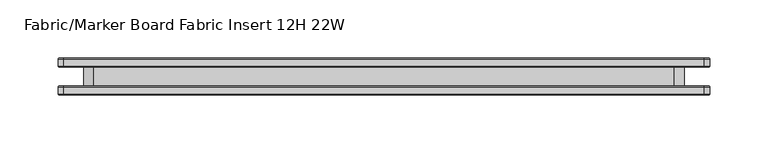
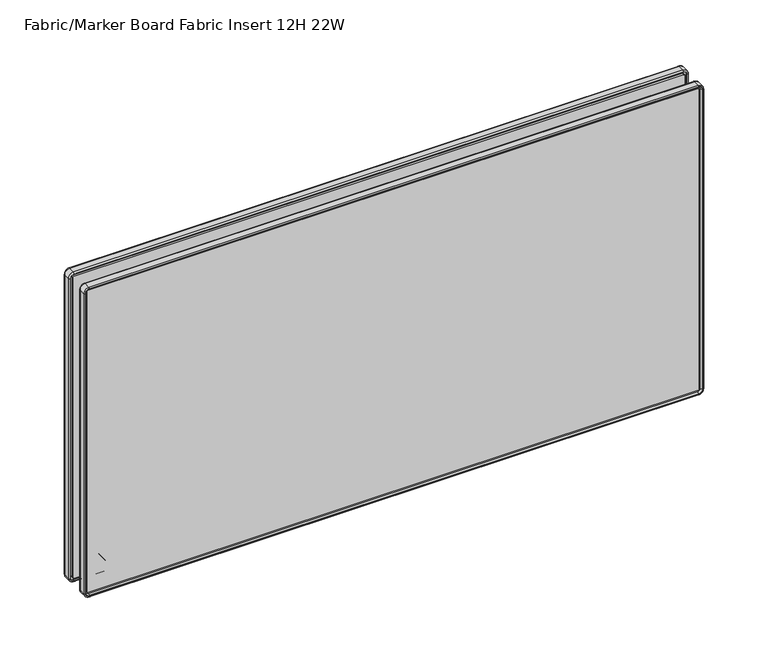
"""IFC4 building model written with IfcOpenShell, lengths in millimetres: furniture geometry, Fabric/Marker Board Fabric Insert 12H 22W."""

from ifc_helpers import new_model, si_unit, point, frame, frame_2d, origin, place, context, project, spatial, polyline, circle_curve, ellipse_curve, trimmed, segment, composite_curve, outline, extrude, source, transform, mapped, element, save
from ifc_brep_helpers import plane_surface, cylinder_surface, revolved_surface, advanced_brep


def fabric_marker_board_fabric_insert_12h_22w_8825d020(model_context):
    return source(origin(), model_context, "Body", "SolidModel", [
        extrude(outline(composite_curve([segment(trimmed(circle_curve(frame_2d((785.9258601, 60.6967824)), 14.2960031), [point((781.0834991, 47.2458625))], [point((772.4749402, 55.8544214))], False, "CARTESIAN"), True, "CONTINUOUS"), segment(polyline([(772.4749402, 55.8544214), (772.4749402, 553.7455786)]), True, "CONTINUOUS"), segment(trimmed(circle_curve(frame_2d((785.9258601, 548.9032176)), 14.2960031), [point((772.4749402, 553.7455786))], [point((780.5790258, 562.1616892))], False, "CARTESIAN"), True, "CONTINUOUS"), segment(polyline([(780.5790258, 562.1616892), (1019.5568063, 562.1616892)]), True, "CONTINUOUS"), segment(trimmed(circle_curve(frame_2d((1014.209972, 548.9032176)), 14.2960031), [point((1019.5568063, 562.1616892))], [point((1027.6608919, 553.7455786))], False, "CARTESIAN"), True, "CONTINUOUS"), segment(polyline([(1027.6608919, 553.7455786), (1027.6608919, 55.8544214)]), True, "CONTINUOUS"), segment(trimmed(circle_curve(frame_2d((1014.209972, 60.6967824)), 14.2960031), [point((1027.6608919, 55.8544214))], [point((1019.0523331, 47.2458625))], False, "CARTESIAN"), True, "CONTINUOUS"), segment(polyline([(1019.0523331, 47.2458625), (781.0834991, 47.2458625)]), True, "CONTINUOUS")], self_intersect=False)), frame((0.0, -7.9718968, 0.0), z_axis=(0.0, 1.0, 0.0), x_axis=(0.0, 0.0, 1.0)), (0.0, 0.0, 1.0), 15.9437935),
        extrude(outline(composite_curve([segment(trimmed(circle_curve(frame_2d((759.1475985, 29.8962491)), 0.8911416), [point((759.1475985, 29.0051075))], [point((758.256457, 29.8962491))], False, "CARTESIAN"), True, "CONTINUOUS"), segment(polyline([(758.256457, 29.8962491), (758.256457, 579.5091361)]), True, "CONTINUOUS"), segment(trimmed(circle_curve(frame_2d((759.1475985, 579.5091361)), 0.8911416), [point((758.256457, 579.5091361))], [point((759.1475985, 580.4002777))], False, "CARTESIAN"), True, "CONTINUOUS"), segment(polyline([(759.1475985, 580.4002777), (1045.010519, 580.4002777)]), True, "CONTINUOUS"), segment(trimmed(circle_curve(frame_2d((1045.010519, 579.5091361)), 0.8911416), [point((1045.010519, 580.4002777))], [point((1045.9016605, 579.5091361))], False, "CARTESIAN"), True, "CONTINUOUS"), segment(polyline([(1045.9016605, 579.5091361), (1045.9016605, 29.8962491)]), True, "CONTINUOUS"), segment(trimmed(circle_curve(frame_2d((1045.010519, 29.8962491)), 0.8911416), [point((1045.9016605, 29.8962491))], [point((1045.010519, 29.0051075))], False, "CARTESIAN"), True, "CONTINUOUS"), segment(polyline([(1045.010519, 29.0051075), (759.1475985, 29.0051075)]), True, "CONTINUOUS")], self_intersect=False)), frame((0.0, 7.9718968, 0.0), z_axis=(0.0, 1.0, 0.0), x_axis=(0.0, 0.0, 1.0)), (0.0, 0.0, 1.0), 6.1306313),
        extrude(outline(composite_curve([segment(polyline([(1045.010519, 29.0051075), (759.1475985, 29.0051075)]), True, "CONTINUOUS"), segment(trimmed(circle_curve(frame_2d((759.1475985, 29.8962491)), 0.8911416), [point((759.1475985, 29.0051075))], [point((758.256457, 29.8962491))], False, "CARTESIAN"), True, "CONTINUOUS"), segment(polyline([(758.256457, 29.8962491), (758.256457, 579.5091361)]), True, "CONTINUOUS"), segment(trimmed(circle_curve(frame_2d((759.1475985, 579.5091361)), 0.8911416), [point((758.256457, 579.5091361))], [point((759.1475985, 580.4002777))], False, "CARTESIAN"), True, "CONTINUOUS"), segment(polyline([(759.1475985, 580.4002777), (1045.010519, 580.4002777)]), True, "CONTINUOUS"), segment(trimmed(circle_curve(frame_2d((1045.010519, 579.5091361)), 0.8911416), [point((1045.010519, 580.4002777))], [point((1045.9016605, 579.5091361))], False, "CARTESIAN"), True, "CONTINUOUS"), segment(polyline([(1045.9016605, 579.5091361), (1045.9016605, 29.8962491)]), True, "CONTINUOUS"), segment(trimmed(circle_curve(frame_2d((1045.010519, 29.8962491)), 0.8911416), [point((1045.9016605, 29.8962491))], [point((1045.010519, 29.0051075))], False, "CARTESIAN"), True, "CONTINUOUS")], self_intersect=False)), frame((0.0, -14.102528, 0.0), z_axis=(0.0, 1.0, 0.0), x_axis=(0.0, 0.0, 1.0)), (0.0, 0.0, 1.0), 6.1306313),
        advanced_brep(
        [(582.9077917, -7.9718968, 759.1475985), (579.5091361, -7.9718968, 755.7489429), (579.5091361, -9.6721295, 755.7489429), (582.9077917, -9.6721295, 759.1475985), (584.0811361, -9.1452412, 759.1475985), (579.5091361, -9.1452412, 754.5755985), (584.0811361, -14.9826968, 759.1475985), (579.5091361, -14.9826968, 754.5755985), (583.2667038, -15.7971292, 759.1475985), (579.5091361, -15.7971292, 755.3900309), (580.4002777, -9.6721295, 759.1475985), (579.5091361, -9.6721295, 758.256457), (579.5091361, -14.102528, 758.256457), (580.4002777, -14.102528, 759.1475985), (582.9077917, -9.6721295, 1045.010519), (582.9077917, -7.9718968, 1045.010519), (584.0811361, -9.1452412, 1045.010519), (584.0811361, -14.9826968, 1045.010519), (583.2667038, -15.7971292, 1045.010519), (580.4002777, -14.102528, 1045.010519), (580.4002777, -9.6721295, 1045.010519), (579.5091361, -7.9718968, 1048.4091746), (579.5091361, -9.6721295, 1048.4091746), (579.5091361, -9.1452412, 1049.582519), (579.5091361, -14.9826968, 1049.582519), (579.5091361, -15.7971292, 1048.7680866), (579.5091361, -9.6721295, 1045.9016605), (579.5091361, -14.102528, 1045.9016605), (29.8962491, -9.6721295, 1048.4091746), (29.8962491, -7.9718968, 1048.4091746), (29.8962491, -9.1452412, 1049.582519), (29.8962491, -14.9826968, 1049.582519), (29.8962491, -15.7971292, 1048.7680866), (29.8962491, -14.102528, 1045.9016605), (29.8962491, -9.6721295, 1045.9016605), (26.4975935, -7.9718968, 1045.010519), (26.4975935, -9.6721295, 1045.010519), (25.3242491, -9.1452412, 1045.010519), (25.3242491, -14.9826968, 1045.010519), (26.1386815, -15.7971292, 1045.010519), (29.0051075, -9.6721295, 1045.010519), (29.0051075, -14.102528, 1045.010519), (26.4975935, -9.6721295, 759.1475985), (26.4975935, -7.9718968, 759.1475985), (25.3242491, -9.1452412, 759.1475985), (25.3242491, -14.9826968, 759.1475985), (26.1386815, -15.7971292, 759.1475985), (29.0051075, -14.102528, 759.1475985), (29.0051075, -9.6721295, 759.1475985), (29.8962491, -7.9718968, 755.7489429), (29.8962491, -9.6721295, 755.7489429), (29.8962491, -9.1452412, 754.5755985), (29.8962491, -14.9826968, 754.5755985), (29.8962491, -15.7971292, 755.3900309), (29.8962491, -9.6721295, 758.256457), (29.8962491, -14.102528, 758.256457), (579.5091361, -15.7971292, 756.2425504), (29.8962491, -15.7971292, 756.2425504), (26.991201, -15.7971292, 759.1475985), (26.991201, -15.7971292, 1045.010519), (29.8962491, -15.7971292, 1047.9155671), (579.5091361, -15.7971292, 1047.9155671), (582.4141842, -15.7971292, 1045.010519), (582.4141842, -15.7971292, 759.1475985), (581.7973998, -14.102528, 759.1475985), (579.5091361, -14.102528, 756.8593348), (581.7973998, -14.102528, 1045.010519), (579.5091361, -14.102528, 1047.2987827), (29.8962491, -14.102528, 1047.2987827), (27.6079854, -14.102528, 1045.010519), (27.6079854, -14.102528, 759.1475985), (29.8962491, -14.102528, 756.8593348)],
        [
            (0, 1, circle_curve(frame((579.5091361, -7.9718968, 759.1475985), z_axis=(0.0, 1.0, 0.0), x_axis=(0.0, 0.0, -1.0)), 3.3986556)),
            (1, 2),
            (2, 3, circle_curve(frame((579.5091361, -9.6721295, 759.1475985), z_axis=(0.0, -1.0, 0.0), x_axis=(0.0, 0.0, -1.0)), 3.3986556)),
            (3, 0),
            (4, 5, circle_curve(frame((579.5091361, -9.1452412, 759.1475985), z_axis=(0.0, 1.0, 0.0), x_axis=(0.0, 0.0, -1.0)), 4.572)),
            (5, 1, circle_curve(frame((579.5091361, -9.1452412, 755.7489429), z_axis=(1.0, 0.0, 0.0), x_axis=(0.0, 0.0, 1.0)), 1.1733444)),
            (0, 4, circle_curve(frame((582.9077917, -9.1452412, 759.1475985), z_axis=(0.0, 0.0, -1.0), x_axis=(-1.0, 0.0, 0.0)), 1.1733444)),
            (6, 7, circle_curve(frame((579.5091361, -14.9826968, 759.1475985), z_axis=(0.0, 1.0, 0.0), x_axis=(0.0, 0.0, -1.0)), 4.572)),
            (7, 5),
            (4, 6),
            (8, 9, circle_curve(frame((579.5091361, -15.7971292, 759.1475985), z_axis=(0.0, 1.0, 0.0), x_axis=(0.0, 0.0, -1.0)), 3.7575676)),
            (9, 7, circle_curve(frame((579.5091361, -14.9826968, 755.3900309), z_axis=(1.0, 0.0, 0.0), x_axis=(0.0, 0.0, 1.0)), 0.8144324)),
            (6, 8, circle_curve(frame((583.2667038, -14.9826968, 759.1475985), z_axis=(0.0, 0.0, -1.0), x_axis=(-1.0, 0.0, 0.0)), 0.8144324)),
            (10, 11, circle_curve(frame((579.5091361, -9.6721295, 759.1475985), z_axis=(0.0, 1.0, 0.0), x_axis=(0.0, 0.0, -1.0)), 0.8911416)),
            (11, 12),
            (12, 13, circle_curve(frame((579.5091361, -14.102528, 759.1475985), z_axis=(0.0, -1.0, 0.0), x_axis=(0.0, 0.0, -1.0)), 0.8911416)),
            (13, 10),
            (3, 14),
            (14, 15),
            (15, 0),
            (15, 16, circle_curve(frame((582.9077917, -9.1452412, 1045.010519), z_axis=(0.0, 0.0, -1.0), x_axis=(-1.0, 0.0, 0.0)), 1.1733444)),
            (16, 4),
            (16, 17),
            (17, 6),
            (17, 18, circle_curve(frame((583.2667038, -14.9826968, 1045.010519), z_axis=(0.0, 0.0, -1.0), x_axis=(-1.0, 0.0, 0.0)), 0.8144324)),
            (18, 8),
            (13, 19),
            (19, 20),
            (20, 10),
            (21, 15, circle_curve(frame((579.5091361, -7.9718968, 1045.010519), z_axis=(0.0, 1.0, 0.0), x_axis=(1.0, 0.0, 0.0)), 3.3986556)),
            (14, 22, circle_curve(frame((579.5091361, -9.6721295, 1045.010519), z_axis=(0.0, -1.0, 0.0), x_axis=(1.0, 0.0, 0.0)), 3.3986556)),
            (22, 21),
            (23, 16, circle_curve(frame((579.5091361, -9.1452412, 1045.010519), z_axis=(0.0, 1.0, 0.0), x_axis=(1.0, 0.0, 0.0)), 4.572)),
            (21, 23, circle_curve(frame((579.5091361, -9.1452412, 1048.4091746), z_axis=(1.0, 0.0, 0.0), x_axis=(0.0, 0.0, -1.0)), 1.1733444)),
            (24, 17, circle_curve(frame((579.5091361, -14.9826968, 1045.010519), z_axis=(0.0, 1.0, 0.0), x_axis=(1.0, 0.0, 0.0)), 4.572)),
            (23, 24),
            (25, 18, circle_curve(frame((579.5091361, -15.7971292, 1045.010519), z_axis=(0.0, 1.0, 0.0), x_axis=(1.0, 0.0, 0.0)), 3.7575676)),
            (24, 25, circle_curve(frame((579.5091361, -14.9826968, 1048.7680866), z_axis=(1.0, 0.0, 0.0), x_axis=(0.0, 0.0, -1.0)), 0.8144324)),
            (26, 20, circle_curve(frame((579.5091361, -9.6721295, 1045.010519), z_axis=(0.0, 1.0, 0.0), x_axis=(1.0, 0.0, 0.0)), 0.8911416)),
            (19, 27, circle_curve(frame((579.5091361, -14.102528, 1045.010519), z_axis=(0.0, -1.0, 0.0), x_axis=(1.0, 0.0, 0.0)), 0.8911416)),
            (27, 26),
            (22, 28),
            (28, 29),
            (29, 21),
            (29, 30, circle_curve(frame((29.8962491, -9.1452412, 1048.4091746), z_axis=(1.0, 0.0, 0.0), x_axis=(0.0, 0.0, -1.0)), 1.1733444)),
            (30, 23),
            (30, 31),
            (31, 24),
            (31, 32, circle_curve(frame((29.8962491, -14.9826968, 1048.7680866), z_axis=(1.0, 0.0, 0.0), x_axis=(0.0, 0.0, -1.0)), 0.8144324)),
            (32, 25),
            (27, 33),
            (33, 34),
            (34, 26),
            (35, 29, circle_curve(frame((29.8962491, -7.9718968, 1045.010519), z_axis=(0.0, 1.0, 0.0), x_axis=(0.0, 0.0, 1.0)), 3.3986556)),
            (28, 36, circle_curve(frame((29.8962491, -9.6721295, 1045.010519), z_axis=(0.0, -1.0, 0.0), x_axis=(0.0, 0.0, 1.0)), 3.3986556)),
            (36, 35),
            (37, 30, circle_curve(frame((29.8962491, -9.1452412, 1045.010519), z_axis=(0.0, 1.0, 0.0), x_axis=(0.0, 0.0, 1.0)), 4.572)),
            (35, 37, circle_curve(frame((26.4975935, -9.1452412, 1045.010519), z_axis=(0.0, 0.0, 1.0), x_axis=(1.0, 0.0, 0.0)), 1.1733444)),
            (38, 31, circle_curve(frame((29.8962491, -14.9826968, 1045.010519), z_axis=(0.0, 1.0, 0.0), x_axis=(0.0, 0.0, 1.0)), 4.572)),
            (37, 38),
            (39, 32, circle_curve(frame((29.8962491, -15.7971292, 1045.010519), z_axis=(0.0, 1.0, 0.0), x_axis=(0.0, 0.0, 1.0)), 3.7575676)),
            (38, 39, circle_curve(frame((26.1386815, -14.9826968, 1045.010519), z_axis=(0.0, 0.0, 1.0), x_axis=(1.0, 0.0, 0.0)), 0.8144324)),
            (40, 34, circle_curve(frame((29.8962491, -9.6721295, 1045.010519), z_axis=(0.0, 1.0, 0.0), x_axis=(0.0, 0.0, 1.0)), 0.8911416)),
            (33, 41, circle_curve(frame((29.8962491, -14.102528, 1045.010519), z_axis=(0.0, -1.0, 0.0), x_axis=(0.0, 0.0, 1.0)), 0.8911416)),
            (41, 40),
            (36, 42),
            (42, 43),
            (43, 35),
            (43, 44, circle_curve(frame((26.4975935, -9.1452412, 759.1475985), z_axis=(0.0, 0.0, 1.0), x_axis=(1.0, 0.0, 0.0)), 1.1733444)),
            (44, 37),
            (44, 45),
            (45, 38),
            (45, 46, circle_curve(frame((26.1386815, -14.9826968, 759.1475985), z_axis=(0.0, 0.0, 1.0), x_axis=(1.0, 0.0, 0.0)), 0.8144324)),
            (46, 39),
            (41, 47),
            (47, 48),
            (48, 40),
            (49, 43, circle_curve(frame((29.8962491, -7.9718968, 759.1475985), z_axis=(0.0, 1.0, 0.0), x_axis=(-1.0, 0.0, 0.0)), 3.3986556)),
            (42, 50, circle_curve(frame((29.8962491, -9.6721295, 759.1475985), z_axis=(0.0, -1.0, 0.0), x_axis=(-1.0, 0.0, 0.0)), 3.3986556)),
            (50, 49),
            (51, 44, circle_curve(frame((29.8962491, -9.1452412, 759.1475985), z_axis=(0.0, 1.0, 0.0), x_axis=(-1.0, 0.0, 0.0)), 4.572)),
            (49, 51, circle_curve(frame((29.8962491, -9.1452412, 755.7489429), z_axis=(-1.0, 0.0, 0.0), x_axis=(0.0, 0.0, 1.0)), 1.1733444)),
            (52, 45, circle_curve(frame((29.8962491, -14.9826968, 759.1475985), z_axis=(0.0, 1.0, 0.0), x_axis=(-1.0, 0.0, 0.0)), 4.572)),
            (51, 52),
            (53, 46, circle_curve(frame((29.8962491, -15.7971292, 759.1475985), z_axis=(0.0, 1.0, 0.0), x_axis=(-1.0, 0.0, 0.0)), 3.7575676)),
            (52, 53, circle_curve(frame((29.8962491, -14.9826968, 755.3900309), z_axis=(-1.0, 0.0, 0.0), x_axis=(0.0, 0.0, 1.0)), 0.8144324)),
            (54, 48, circle_curve(frame((29.8962491, -9.6721295, 759.1475985), z_axis=(0.0, 1.0, 0.0), x_axis=(-1.0, 0.0, 0.0)), 0.8911416)),
            (47, 55, circle_curve(frame((29.8962491, -14.102528, 759.1475985), z_axis=(0.0, -1.0, 0.0), x_axis=(-1.0, 0.0, 0.0)), 0.8911416)),
            (55, 54),
            (2, 50),
            (54, 11),
            (1, 49),
            (5, 51),
            (7, 52),
            (9, 53),
            (56, 57),
            (57, 58, circle_curve(frame((29.8962491, -15.7971292, 759.1475985), z_axis=(0.0, 1.0, 0.0), x_axis=(-1.0, 0.0, 0.0)), 2.9050481)),
            (58, 59),
            (59, 60, circle_curve(frame((29.8962491, -15.7971292, 1045.010519), z_axis=(0.0, 1.0, 0.0), x_axis=(0.0, 0.0, 1.0)), 2.9050481)),
            (60, 61),
            (61, 62, circle_curve(frame((579.5091361, -15.7971292, 1045.010519), z_axis=(0.0, 1.0, 0.0), x_axis=(1.0, 0.0, 0.0)), 2.9050481)),
            (62, 63),
            (63, 56, circle_curve(frame((579.5091361, -15.7971292, 759.1475985), z_axis=(0.0, 1.0, 0.0), x_axis=(0.0, 0.0, -1.0)), 2.9050481)),
            (55, 12),
            (64, 65, circle_curve(frame((579.5091361, -14.102528, 759.1475985), z_axis=(0.0, 1.0, 0.0), x_axis=(0.0, 0.0, -1.0)), 2.2882637)),
            (65, 56),
            (63, 64),
            (62, 66),
            (66, 64),
            (67, 66, circle_curve(frame((579.5091361, -14.102528, 1045.010519), z_axis=(0.0, 1.0, 0.0), x_axis=(1.0, 0.0, 0.0)), 2.2882637)),
            (61, 67),
            (60, 68),
            (68, 67),
            (69, 68, circle_curve(frame((29.8962491, -14.102528, 1045.010519), z_axis=(0.0, 1.0, 0.0), x_axis=(0.0, 0.0, 1.0)), 2.2882637)),
            (59, 69),
            (58, 70),
            (70, 69),
            (71, 70, circle_curve(frame((29.8962491, -14.102528, 759.1475985), z_axis=(0.0, 1.0, 0.0), x_axis=(-1.0, 0.0, 0.0)), 2.2882637)),
            (57, 71),
            (65, 71),
        ],
        [
            revolved_surface(polyline([(579.5091361, -9.6721295, 755.7489429), (579.5091361, -7.9718968, 755.7489429)]), (579.5091361, 0.0, 759.1475985), (0.0, -1.0, 0.0)),
            revolved_surface(trimmed(ellipse_curve(frame((579.5091361, -9.1452412, 755.7489429), z_axis=(-1.0, 0.0, 0.0), x_axis=(0.0, 0.0, 1.0)), 1.1733444, 1.1733444), [point((579.5091361, -7.9718968, 755.7489429))], [point((579.5091361, -9.1452412, 754.5755985))], True, "CARTESIAN"), (579.5091361, 0.0, 759.1475985), (0.0, -1.0, 0.0)),
            cylinder_surface(frame((579.5091361, 0.0, 759.1475985), z_axis=(0.0, -1.0, 0.0), x_axis=(0.0, 0.0, -1.0)), 4.572),
            revolved_surface(trimmed(ellipse_curve(frame((579.5091361, -14.9826968, 755.3900309), z_axis=(-1.0, 0.0, 0.0), x_axis=(0.0, 0.0, 1.0)), 0.8144324, 0.8144324), [point((579.5091361, -14.9826968, 754.5755985))], [point((579.5091361, -15.7971292, 755.3900309))], True, "CARTESIAN"), (579.5091361, 0.0, 759.1475985), (0.0, -1.0, 0.0)),
            revolved_surface(polyline([(579.5091361, -14.102528, 758.2564569), (579.5091361, -9.6721295, 758.2564569)]), (579.5091361, 0.0, 759.1475985), (0.0, -1.0, 0.0)),
            plane_surface(frame((582.9077917, -9.6721295, 759.1475985), z_axis=(-1.0, 0.0, 0.0), x_axis=(0.0, 0.0, 1.0))),
            cylinder_surface(frame((582.9077917, -9.1452412, 759.1475985), z_axis=(0.0, 0.0, -1.0), x_axis=(-1.0, 0.0, 0.0)), 1.1733444),
            plane_surface(frame((584.0811361, -9.1452412, 759.1475985), z_axis=(1.0, 0.0, 0.0), x_axis=(0.0, 0.0, 1.0))),
            cylinder_surface(frame((583.2667038, -14.9826968, 759.1475985), z_axis=(0.0, 0.0, -1.0), x_axis=(-1.0, 0.0, 0.0)), 0.8144324),
            plane_surface(frame((580.4002777, -14.102528, 759.1475985), z_axis=(-1.0, 0.0, 0.0), x_axis=(0.0, 0.0, 1.0))),
            revolved_surface(polyline([(582.9077917, -9.6721295, 1045.010519), (582.9077917, -7.9718968, 1045.010519)]), (579.5091361, 0.0, 1045.010519), (0.0, -1.0, 0.0)),
            revolved_surface(trimmed(ellipse_curve(frame((582.9077917, -9.1452412, 1045.010519), z_axis=(0.0, 0.0, -1.0), x_axis=(-1.0, 0.0, 0.0)), 1.1733444, 1.1733444), [point((582.9077917, -7.9718968, 1045.010519))], [point((584.0811361, -9.1452412, 1045.010519))], True, "CARTESIAN"), (579.5091361, 0.0, 1045.010519), (0.0, -1.0, 0.0)),
            cylinder_surface(frame((579.5091361, 0.0, 1045.010519), z_axis=(0.0, -1.0, 0.0), x_axis=(1.0, 0.0, 0.0)), 4.572),
            revolved_surface(trimmed(ellipse_curve(frame((583.2667038, -14.9826968, 1045.010519), z_axis=(0.0, 0.0, -1.0), x_axis=(-1.0, 0.0, 0.0)), 0.8144324, 0.8144324), [point((584.0811361, -14.9826968, 1045.010519))], [point((583.2667038, -15.7971292, 1045.010519))], True, "CARTESIAN"), (579.5091361, 0.0, 1045.010519), (0.0, -1.0, 0.0)),
            revolved_surface(polyline([(580.4002777, -14.102528, 1045.010519), (580.4002777, -9.6721295, 1045.010519)]), (579.5091361, 0.0, 1045.010519), (0.0, -1.0, 0.0)),
            plane_surface(frame((579.5091361, -9.6721295, 1048.4091746), z_axis=(0.0, 0.0, -1.0), x_axis=(-1.0, 0.0, 0.0))),
            cylinder_surface(frame((579.5091361, -9.1452412, 1048.4091746), z_axis=(1.0, 0.0, 0.0), x_axis=(0.0, 0.0, -1.0)), 1.1733444),
            plane_surface(frame((579.5091361, -9.1452412, 1049.582519), z_axis=(0.0, 0.0, 1.0), x_axis=(-1.0, 0.0, 0.0))),
            cylinder_surface(frame((579.5091361, -14.9826968, 1048.7680866), z_axis=(1.0, 0.0, 0.0), x_axis=(0.0, 0.0, -1.0)), 0.8144324),
            plane_surface(frame((579.5091361, -14.102528, 1045.9016605), z_axis=(0.0, 0.0, -1.0), x_axis=(-1.0, 0.0, 0.0))),
            revolved_surface(polyline([(29.8962491, -9.6721295, 1048.4091746), (29.8962491, -7.9718968, 1048.4091746)]), (29.8962491, 0.0, 1045.010519), (0.0, -1.0, 0.0)),
            revolved_surface(trimmed(ellipse_curve(frame((29.8962491, -9.1452412, 1048.4091746), z_axis=(1.0, 0.0, 0.0), x_axis=(0.0, 0.0, -1.0)), 1.1733444, 1.1733444), [point((29.8962491, -7.9718968, 1048.4091746))], [point((29.8962491, -9.1452412, 1049.582519))], True, "CARTESIAN"), (29.8962491, 0.0, 1045.010519), (0.0, -1.0, 0.0)),
            cylinder_surface(frame((29.8962491, 0.0, 1045.010519), z_axis=(0.0, -1.0, 0.0), x_axis=(0.0, 0.0, 1.0)), 4.572),
            revolved_surface(trimmed(ellipse_curve(frame((29.8962491, -14.9826968, 1048.7680866), z_axis=(1.0, 0.0, 0.0), x_axis=(0.0, 0.0, -1.0)), 0.8144324, 0.8144324), [point((29.8962491, -14.9826968, 1049.582519))], [point((29.8962491, -15.7971292, 1048.7680866))], True, "CARTESIAN"), (29.8962491, 0.0, 1045.010519), (0.0, -1.0, 0.0)),
            revolved_surface(polyline([(29.8962491, -14.102528, 1045.9016606), (29.8962491, -9.6721295, 1045.9016606)]), (29.8962491, 0.0, 1045.010519), (0.0, -1.0, 0.0)),
            plane_surface(frame((26.4975935, -9.6721295, 1045.010519), z_axis=(1.0, 0.0, 0.0), x_axis=(0.0, 0.0, -1.0))),
            cylinder_surface(frame((26.4975935, -9.1452412, 1045.010519), z_axis=(0.0, 0.0, 1.0), x_axis=(1.0, 0.0, 0.0)), 1.1733444),
            plane_surface(frame((25.3242491, -9.1452412, 1045.010519), z_axis=(-1.0, 0.0, 0.0), x_axis=(0.0, 0.0, -1.0))),
            cylinder_surface(frame((26.1386815, -14.9826968, 1045.010519), z_axis=(0.0, 0.0, 1.0), x_axis=(1.0, 0.0, 0.0)), 0.8144324),
            plane_surface(frame((29.0051075, -14.102528, 1045.010519), z_axis=(1.0, 0.0, 0.0), x_axis=(0.0, 0.0, -1.0))),
            revolved_surface(polyline([(26.497593499999997, -9.6721295, 759.1475985), (26.497593499999997, -7.9718968, 759.1475985)]), (29.8962491, 0.0, 759.1475985), (0.0, -1.0, 0.0)),
            revolved_surface(trimmed(ellipse_curve(frame((26.4975935, -9.1452412, 759.1475985), z_axis=(0.0, 0.0, 1.0), x_axis=(1.0, 0.0, 0.0)), 1.1733444, 1.1733444), [point((26.4975935, -7.9718968, 759.1475985))], [point((25.3242491, -9.1452412, 759.1475985))], True, "CARTESIAN"), (29.8962491, 0.0, 759.1475985), (0.0, -1.0, 0.0)),
            cylinder_surface(frame((29.8962491, 0.0, 759.1475985), z_axis=(0.0, -1.0, 0.0), x_axis=(-1.0, 0.0, 0.0)), 4.572),
            revolved_surface(trimmed(ellipse_curve(frame((26.1386815, -14.9826968, 759.1475985), z_axis=(0.0, 0.0, 1.0), x_axis=(1.0, 0.0, 0.0)), 0.8144324, 0.8144324), [point((25.3242491, -14.9826968, 759.1475985))], [point((26.1386815, -15.7971292, 759.1475985))], True, "CARTESIAN"), (29.8962491, 0.0, 759.1475985), (0.0, -1.0, 0.0)),
            revolved_surface(polyline([(29.005107499999998, -14.102528, 759.1475985), (29.005107499999998, -9.6721295, 759.1475985)]), (29.8962491, 0.0, 759.1475985), (0.0, -1.0, 0.0)),
            plane_surface(frame((29.8962491, -9.6721295, 758.256457), z_axis=(0.0, 1.0, 0.0), x_axis=(1.0, 0.0, 0.0))),
            plane_surface(frame((29.8962491, -9.6721295, 755.7489429), z_axis=(0.0, 0.0, 1.0), x_axis=(1.0, 0.0, 0.0))),
            cylinder_surface(frame((29.8962491, -9.1452412, 755.7489429), z_axis=(-1.0, 0.0, 0.0), x_axis=(0.0, 0.0, 1.0)), 1.1733444),
            plane_surface(frame((29.8962491, -9.1452412, 754.5755985), z_axis=(0.0, 0.0, -1.0), x_axis=(1.0, 0.0, 0.0))),
            cylinder_surface(frame((29.8962491, -14.9826968, 755.3900309), z_axis=(-1.0, 0.0, 0.0), x_axis=(0.0, 0.0, 1.0)), 0.8144324),
            plane_surface(frame((29.8962491, -15.7971292, 755.3900309), z_axis=(0.0, -1.0, 0.0), x_axis=(1.0, 0.0, 0.0))),
            plane_surface(frame((29.8962491, -14.102528, 758.256457), z_axis=(0.0, 0.0, 1.0), x_axis=(1.0, 0.0, 0.0))),
            revolved_surface(polyline([(579.5091361, -15.7971292, 756.2425504), (579.5091361, -14.102528, 756.8593348)]), (579.5091361, 0.0, 759.1475985), (0.0, -1.0, 0.0)),
            plane_surface(frame((582.4141842, -15.7971292, 759.1475985), z_axis=(-0.9396926207859183, -0.34202014332564146, 0.0), x_axis=(0.0, 0.0, 1.0))),
            revolved_surface(polyline([(582.4141842, -15.7971292, 1045.010519), (581.7973998, -14.102528, 1045.010519)]), (579.5091361, 0.0, 1045.010519), (0.0, -1.0, 0.0)),
            plane_surface(frame((579.5091361, -15.7971292, 1047.9155671), z_axis=(0.0, -0.34202014332564146, -0.9396926207859183), x_axis=(-1.0, 0.0, 0.0))),
            revolved_surface(polyline([(29.8962491, -15.7971292, 1047.9155671), (29.8962491, -14.102528, 1047.2987827)]), (29.8962491, 0.0, 1045.010519), (0.0, -1.0, 0.0)),
            plane_surface(frame((26.991201, -15.7971292, 1045.010519), z_axis=(0.9396926207859183, -0.34202014332564146, 0.0), x_axis=(0.0, 0.0, -1.0))),
            revolved_surface(polyline([(26.991201, -15.7971292, 759.1475985), (27.6079854, -14.102528, 759.1475985)]), (29.8962491, 0.0, 759.1475985), (0.0, -1.0, 0.0)),
            plane_surface(frame((29.8962491, -15.7971292, 756.2425504), z_axis=(0.0, -0.34202014332564146, 0.9396926207859183), x_axis=(1.0, 0.0, 0.0))),
            plane_surface(frame((29.8962491, -14.102528, 756.8593348), z_axis=(0.0, -1.0, 0.0), x_axis=(1.0, 0.0, 0.0))),
        ],
        [
            (0, [[1, 2, 3, 4]]),
            (1, [[5, 6, -1, 7]]),
            (2, [[8, 9, -5, 10]]),
            (3, [[11, 12, -8, 13]]),
            (4, [[14, 15, 16, 17]]),
            (5, [[-4, 18, 19, 20]]),
            (6, [[-7, -20, 21, 22]]),
            (7, [[-10, -22, 23, 24]]),
            (8, [[-13, -24, 25, 26]]),
            (9, [[-17, 27, 28, 29]]),
            (10, [[30, -19, 31, 32]]),
            (11, [[33, -21, -30, 34]]),
            (12, [[35, -23, -33, 36]]),
            (13, [[37, -25, -35, 38]]),
            (14, [[39, -28, 40, 41]]),
            (15, [[-32, 42, 43, 44]]),
            (16, [[-34, -44, 45, 46]]),
            (17, [[-36, -46, 47, 48]]),
            (18, [[-38, -48, 49, 50]]),
            (19, [[-41, 51, 52, 53]]),
            (20, [[54, -43, 55, 56]]),
            (21, [[57, -45, -54, 58]]),
            (22, [[59, -47, -57, 60]]),
            (23, [[61, -49, -59, 62]]),
            (24, [[63, -52, 64, 65]]),
            (25, [[-56, 66, 67, 68]]),
            (26, [[-58, -68, 69, 70]]),
            (27, [[-60, -70, 71, 72]]),
            (28, [[-62, -72, 73, 74]]),
            (29, [[-65, 75, 76, 77]]),
            (30, [[78, -67, 79, 80]]),
            (31, [[81, -69, -78, 82]]),
            (32, [[83, -71, -81, 84]]),
            (33, [[85, -73, -83, 86]]),
            (34, [[87, -76, 88, 89]]),
            (35, [[90, -79, -66, -55, -42, -31, -18, -3], [-77, -87, 91, -14, -29, -39, -53, -63]]),
            (36, [[-80, -90, -2, 92]]),
            (37, [[-82, -92, -6, 93]]),
            (38, [[-84, -93, -9, 94]]),
            (39, [[-86, -94, -12, 95]]),
            (40, [[-74, -85, -95, -11, -26, -37, -50, -61], [96, 97, 98, 99, 100, 101, 102, 103]]),
            (41, [[-89, 104, -15, -91]]),
            (42, [[105, 106, -103, 107]]),
            (43, [[-107, -102, 108, 109]]),
            (44, [[110, -108, -101, 111]]),
            (45, [[-111, -100, 112, 113]]),
            (46, [[114, -112, -99, 115]]),
            (47, [[-115, -98, 116, 117]]),
            (48, [[118, -116, -97, 119]]),
            (49, [[-119, -96, -106, 120]]),
            (50, [[-117, -118, -120, -105, -109, -110, -113, -114], [-104, -88, -75, -64, -51, -40, -27, -16]]),
        ],
    ),
        advanced_brep(
        [(580.4002777, 14.102528, 759.1475985), (579.5091361, 14.102528, 758.256457), (579.5091361, 9.6721295, 758.256457), (580.4002777, 9.6721295, 759.1475985), (582.4141842, 15.7971292, 759.1475985), (579.5091361, 15.7971292, 756.2425504), (579.5091361, 14.102528, 756.8593348), (581.7973998, 14.102528, 759.1475985), (584.0811361, 14.9826968, 759.1475985), (579.5091361, 14.9826968, 754.5755985), (579.5091361, 15.7971292, 755.3900309), (583.2667038, 15.7971292, 759.1475985), (584.0811361, 9.1452412, 759.1475985), (579.5091361, 9.1452412, 754.5755985), (582.9077917, 7.9718968, 759.1475985), (579.5091361, 7.9718968, 755.7489429), (582.9077917, 9.6721295, 759.1475985), (579.5091361, 9.6721295, 755.7489429), (580.4002777, 9.6721295, 1045.010519), (580.4002777, 14.102528, 1045.010519), (581.7973998, 14.102528, 1045.010519), (582.4141842, 15.7971292, 1045.010519), (583.2667038, 15.7971292, 1045.010519), (584.0811361, 14.9826968, 1045.010519), (584.0811361, 9.1452412, 1045.010519), (582.9077917, 7.9718968, 1045.010519), (582.9077917, 9.6721295, 1045.010519), (579.5091361, 14.102528, 1045.9016605), (579.5091361, 9.6721295, 1045.9016605), (579.5091361, 15.7971292, 1047.9155671), (579.5091361, 14.102528, 1047.2987827), (579.5091361, 14.9826968, 1049.582519), (579.5091361, 15.7971292, 1048.7680866), (579.5091361, 9.1452412, 1049.582519), (579.5091361, 7.9718968, 1048.4091746), (579.5091361, 9.6721295, 1048.4091746), (29.8962491, 9.6721295, 1045.9016605), (29.8962491, 14.102528, 1045.9016605), (29.8962491, 14.102528, 1047.2987827), (29.8962491, 15.7971292, 1047.9155671), (29.8962491, 15.7971292, 1048.7680866), (29.8962491, 14.9826968, 1049.582519), (29.8962491, 9.1452412, 1049.582519), (29.8962491, 7.9718968, 1048.4091746), (29.8962491, 9.6721295, 1048.4091746), (29.0051075, 14.102528, 1045.010519), (29.0051075, 9.6721295, 1045.010519), (26.991201, 15.7971292, 1045.010519), (27.6079854, 14.102528, 1045.010519), (25.3242491, 14.9826968, 1045.010519), (26.1386815, 15.7971292, 1045.010519), (25.3242491, 9.1452412, 1045.010519), (26.4975935, 7.9718968, 1045.010519), (26.4975935, 9.6721295, 1045.010519), (29.0051075, 9.6721295, 759.1475985), (29.0051075, 14.102528, 759.1475985), (27.6079854, 14.102528, 759.1475985), (26.991201, 15.7971292, 759.1475985), (26.1386815, 15.7971292, 759.1475985), (25.3242491, 14.9826968, 759.1475985), (25.3242491, 9.1452412, 759.1475985), (26.4975935, 7.9718968, 759.1475985), (26.4975935, 9.6721295, 759.1475985), (29.8962491, 14.102528, 758.256457), (29.8962491, 9.6721295, 758.256457), (29.8962491, 15.7971292, 756.2425504), (29.8962491, 14.102528, 756.8593348), (29.8962491, 14.9826968, 754.5755985), (29.8962491, 15.7971292, 755.3900309), (29.8962491, 9.1452412, 754.5755985), (29.8962491, 7.9718968, 755.7489429), (29.8962491, 9.6721295, 755.7489429)],
        [
            (0, 1, circle_curve(frame((579.5091361, 14.102528, 759.1475985), z_axis=(0.0, 1.0, 0.0), x_axis=(0.0, 0.0, -1.0)), 0.8911416)),
            (1, 2),
            (2, 3, circle_curve(frame((579.5091361, 9.6721295, 759.1475985), z_axis=(0.0, -1.0, 0.0), x_axis=(0.0, 0.0, -1.0)), 0.8911416)),
            (3, 0),
            (4, 5, circle_curve(frame((579.5091361, 15.7971292, 759.1475985), z_axis=(0.0, 1.0, 0.0), x_axis=(0.0, 0.0, -1.0)), 2.9050481)),
            (5, 6),
            (6, 7, circle_curve(frame((579.5091361, 14.102528, 759.1475985), z_axis=(0.0, -1.0, 0.0), x_axis=(0.0, 0.0, -1.0)), 2.2882637)),
            (7, 4),
            (8, 9, circle_curve(frame((579.5091361, 14.9826968, 759.1475985), z_axis=(0.0, 1.0, 0.0), x_axis=(0.0, 0.0, -1.0)), 4.572)),
            (9, 10, circle_curve(frame((579.5091361, 14.9826968, 755.3900309), z_axis=(1.0, 0.0, 0.0), x_axis=(0.0, 0.0, 1.0)), 0.8144324)),
            (10, 11, circle_curve(frame((579.5091361, 15.7971292, 759.1475985), z_axis=(0.0, -1.0, 0.0), x_axis=(0.0, 0.0, -1.0)), 3.7575676)),
            (11, 8, circle_curve(frame((583.2667038, 14.9826968, 759.1475985), z_axis=(0.0, 0.0, -1.0), x_axis=(-1.0, 0.0, 0.0)), 0.8144324)),
            (12, 13, circle_curve(frame((579.5091361, 9.1452412, 759.1475985), z_axis=(0.0, 1.0, 0.0), x_axis=(0.0, 0.0, -1.0)), 4.572)),
            (13, 9),
            (8, 12),
            (14, 15, circle_curve(frame((579.5091361, 7.9718968, 759.1475985), z_axis=(0.0, 1.0, 0.0), x_axis=(0.0, 0.0, -1.0)), 3.3986556)),
            (15, 13, circle_curve(frame((579.5091361, 9.1452412, 755.7489429), z_axis=(1.0, 0.0, 0.0), x_axis=(0.0, 0.0, 1.0)), 1.1733444)),
            (12, 14, circle_curve(frame((582.9077917, 9.1452412, 759.1475985), z_axis=(0.0, 0.0, -1.0), x_axis=(-1.0, 0.0, 0.0)), 1.1733444)),
            (16, 17, circle_curve(frame((579.5091361, 9.6721295, 759.1475985), z_axis=(0.0, 1.0, 0.0), x_axis=(0.0, 0.0, -1.0)), 3.3986556)),
            (17, 15),
            (14, 16),
            (3, 18),
            (18, 19),
            (19, 0),
            (7, 20),
            (20, 21),
            (21, 4),
            (11, 22),
            (22, 23, circle_curve(frame((583.2667038, 14.9826968, 1045.010519), z_axis=(0.0, 0.0, -1.0), x_axis=(-1.0, 0.0, 0.0)), 0.8144324)),
            (23, 8),
            (23, 24),
            (24, 12),
            (24, 25, circle_curve(frame((582.9077917, 9.1452412, 1045.010519), z_axis=(0.0, 0.0, -1.0), x_axis=(-1.0, 0.0, 0.0)), 1.1733444)),
            (25, 14),
            (25, 26),
            (26, 16),
            (27, 19, circle_curve(frame((579.5091361, 14.102528, 1045.010519), z_axis=(0.0, 1.0, 0.0), x_axis=(1.0, 0.0, 0.0)), 0.8911416)),
            (18, 28, circle_curve(frame((579.5091361, 9.6721295, 1045.010519), z_axis=(0.0, -1.0, 0.0), x_axis=(1.0, 0.0, 0.0)), 0.8911416)),
            (28, 27),
            (29, 21, circle_curve(frame((579.5091361, 15.7971292, 1045.010519), z_axis=(0.0, 1.0, 0.0), x_axis=(1.0, 0.0, 0.0)), 2.9050481)),
            (20, 30, circle_curve(frame((579.5091361, 14.102528, 1045.010519), z_axis=(0.0, -1.0, 0.0), x_axis=(1.0, 0.0, 0.0)), 2.2882637)),
            (30, 29),
            (31, 23, circle_curve(frame((579.5091361, 14.9826968, 1045.010519), z_axis=(0.0, 1.0, 0.0), x_axis=(1.0, 0.0, 0.0)), 4.572)),
            (22, 32, circle_curve(frame((579.5091361, 15.7971292, 1045.010519), z_axis=(0.0, -1.0, 0.0), x_axis=(1.0, 0.0, 0.0)), 3.7575676)),
            (32, 31, circle_curve(frame((579.5091361, 14.9826968, 1048.7680866), z_axis=(1.0, 0.0, 0.0), x_axis=(0.0, 0.0, -1.0)), 0.8144324)),
            (33, 24, circle_curve(frame((579.5091361, 9.1452412, 1045.010519), z_axis=(0.0, 1.0, 0.0), x_axis=(1.0, 0.0, 0.0)), 4.572)),
            (31, 33),
            (34, 25, circle_curve(frame((579.5091361, 7.9718968, 1045.010519), z_axis=(0.0, 1.0, 0.0), x_axis=(1.0, 0.0, 0.0)), 3.3986556)),
            (33, 34, circle_curve(frame((579.5091361, 9.1452412, 1048.4091746), z_axis=(1.0, 0.0, 0.0), x_axis=(0.0, 0.0, -1.0)), 1.1733444)),
            (35, 26, circle_curve(frame((579.5091361, 9.6721295, 1045.010519), z_axis=(0.0, 1.0, 0.0), x_axis=(1.0, 0.0, 0.0)), 3.3986556)),
            (34, 35),
            (28, 36),
            (36, 37),
            (37, 27),
            (30, 38),
            (38, 39),
            (39, 29),
            (32, 40),
            (40, 41, circle_curve(frame((29.8962491, 14.9826968, 1048.7680866), z_axis=(1.0, 0.0, 0.0), x_axis=(0.0, 0.0, -1.0)), 0.8144324)),
            (41, 31),
            (41, 42),
            (42, 33),
            (42, 43, circle_curve(frame((29.8962491, 9.1452412, 1048.4091746), z_axis=(1.0, 0.0, 0.0), x_axis=(0.0, 0.0, -1.0)), 1.1733444)),
            (43, 34),
            (43, 44),
            (44, 35),
            (45, 37, circle_curve(frame((29.8962491, 14.102528, 1045.010519), z_axis=(0.0, 1.0, 0.0), x_axis=(0.0, 0.0, 1.0)), 0.8911416)),
            (36, 46, circle_curve(frame((29.8962491, 9.6721295, 1045.010519), z_axis=(0.0, -1.0, 0.0), x_axis=(0.0, 0.0, 1.0)), 0.8911416)),
            (46, 45),
            (47, 39, circle_curve(frame((29.8962491, 15.7971292, 1045.010519), z_axis=(0.0, 1.0, 0.0), x_axis=(0.0, 0.0, 1.0)), 2.9050481)),
            (38, 48, circle_curve(frame((29.8962491, 14.102528, 1045.010519), z_axis=(0.0, -1.0, 0.0), x_axis=(0.0, 0.0, 1.0)), 2.2882637)),
            (48, 47),
            (49, 41, circle_curve(frame((29.8962491, 14.9826968, 1045.010519), z_axis=(0.0, 1.0, 0.0), x_axis=(0.0, 0.0, 1.0)), 4.572)),
            (40, 50, circle_curve(frame((29.8962491, 15.7971292, 1045.010519), z_axis=(0.0, -1.0, 0.0), x_axis=(0.0, 0.0, 1.0)), 3.7575676)),
            (50, 49, circle_curve(frame((26.1386815, 14.9826968, 1045.010519), z_axis=(0.0, 0.0, 1.0), x_axis=(1.0, 0.0, 0.0)), 0.8144324)),
            (51, 42, circle_curve(frame((29.8962491, 9.1452412, 1045.010519), z_axis=(0.0, 1.0, 0.0), x_axis=(0.0, 0.0, 1.0)), 4.572)),
            (49, 51),
            (52, 43, circle_curve(frame((29.8962491, 7.9718968, 1045.010519), z_axis=(0.0, 1.0, 0.0), x_axis=(0.0, 0.0, 1.0)), 3.3986556)),
            (51, 52, circle_curve(frame((26.4975935, 9.1452412, 1045.010519), z_axis=(0.0, 0.0, 1.0), x_axis=(1.0, 0.0, 0.0)), 1.1733444)),
            (53, 44, circle_curve(frame((29.8962491, 9.6721295, 1045.010519), z_axis=(0.0, 1.0, 0.0), x_axis=(0.0, 0.0, 1.0)), 3.3986556)),
            (52, 53),
            (46, 54),
            (54, 55),
            (55, 45),
            (48, 56),
            (56, 57),
            (57, 47),
            (50, 58),
            (58, 59, circle_curve(frame((26.1386815, 14.9826968, 759.1475985), z_axis=(0.0, 0.0, 1.0), x_axis=(1.0, 0.0, 0.0)), 0.8144324)),
            (59, 49),
            (59, 60),
            (60, 51),
            (60, 61, circle_curve(frame((26.4975935, 9.1452412, 759.1475985), z_axis=(0.0, 0.0, 1.0), x_axis=(1.0, 0.0, 0.0)), 1.1733444)),
            (61, 52),
            (61, 62),
            (62, 53),
            (63, 55, circle_curve(frame((29.8962491, 14.102528, 759.1475985), z_axis=(0.0, 1.0, 0.0), x_axis=(-1.0, 0.0, 0.0)), 0.8911416)),
            (54, 64, circle_curve(frame((29.8962491, 9.6721295, 759.1475985), z_axis=(0.0, -1.0, 0.0), x_axis=(-1.0, 0.0, 0.0)), 0.8911416)),
            (64, 63),
            (65, 57, circle_curve(frame((29.8962491, 15.7971292, 759.1475985), z_axis=(0.0, 1.0, 0.0), x_axis=(-1.0, 0.0, 0.0)), 2.9050481)),
            (56, 66, circle_curve(frame((29.8962491, 14.102528, 759.1475985), z_axis=(0.0, -1.0, 0.0), x_axis=(-1.0, 0.0, 0.0)), 2.2882637)),
            (66, 65),
            (67, 59, circle_curve(frame((29.8962491, 14.9826968, 759.1475985), z_axis=(0.0, 1.0, 0.0), x_axis=(-1.0, 0.0, 0.0)), 4.572)),
            (58, 68, circle_curve(frame((29.8962491, 15.7971292, 759.1475985), z_axis=(0.0, -1.0, 0.0), x_axis=(-1.0, 0.0, 0.0)), 3.7575676)),
            (68, 67, circle_curve(frame((29.8962491, 14.9826968, 755.3900309), z_axis=(-1.0, 0.0, 0.0), x_axis=(0.0, 0.0, 1.0)), 0.8144324)),
            (69, 60, circle_curve(frame((29.8962491, 9.1452412, 759.1475985), z_axis=(0.0, 1.0, 0.0), x_axis=(-1.0, 0.0, 0.0)), 4.572)),
            (67, 69),
            (70, 61, circle_curve(frame((29.8962491, 7.9718968, 759.1475985), z_axis=(0.0, 1.0, 0.0), x_axis=(-1.0, 0.0, 0.0)), 3.3986556)),
            (69, 70, circle_curve(frame((29.8962491, 9.1452412, 755.7489429), z_axis=(-1.0, 0.0, 0.0), x_axis=(0.0, 0.0, 1.0)), 1.1733444)),
            (71, 62, circle_curve(frame((29.8962491, 9.6721295, 759.1475985), z_axis=(0.0, 1.0, 0.0), x_axis=(-1.0, 0.0, 0.0)), 3.3986556)),
            (70, 71),
            (64, 2),
            (1, 63),
            (6, 66),
            (5, 65),
            (10, 68),
            (9, 67),
            (13, 69),
            (15, 70),
            (17, 71),
        ],
        [
            revolved_surface(polyline([(579.5091361, 9.6721295, 758.2564569), (579.5091361, 14.102528, 758.2564569)]), (579.5091361, 0.0, 759.1475985), (0.0, -1.0, 0.0)),
            revolved_surface(polyline([(579.5091361, 14.102528, 756.8593348), (579.5091361, 15.7971292, 756.2425504)]), (579.5091361, 0.0, 759.1475985), (0.0, -1.0, 0.0)),
            revolved_surface(trimmed(ellipse_curve(frame((579.5091361, 14.9826968, 755.3900309), z_axis=(-1.0, 0.0, 0.0), x_axis=(0.0, 0.0, 1.0)), 0.8144324, 0.8144324), [point((579.5091361, 15.7971292, 755.3900309))], [point((579.5091361, 14.9826968, 754.5755985))], True, "CARTESIAN"), (579.5091361, 0.0, 759.1475985), (0.0, -1.0, 0.0)),
            cylinder_surface(frame((579.5091361, 0.0, 759.1475985), z_axis=(0.0, -1.0, 0.0), x_axis=(0.0, 0.0, -1.0)), 4.572),
            revolved_surface(trimmed(ellipse_curve(frame((579.5091361, 9.1452412, 755.7489429), z_axis=(-1.0, 0.0, 0.0), x_axis=(0.0, 0.0, 1.0)), 1.1733444, 1.1733444), [point((579.5091361, 9.1452412, 754.5755985))], [point((579.5091361, 7.9718968, 755.7489429))], True, "CARTESIAN"), (579.5091361, 0.0, 759.1475985), (0.0, -1.0, 0.0)),
            revolved_surface(polyline([(579.5091361, 7.9718968, 755.7489429), (579.5091361, 9.6721295, 755.7489429)]), (579.5091361, 0.0, 759.1475985), (0.0, -1.0, 0.0)),
            plane_surface(frame((580.4002777, 9.6721295, 759.1475985), z_axis=(-1.0, 0.0, 0.0), x_axis=(0.0, 0.0, 1.0))),
            plane_surface(frame((581.7973998, 14.102528, 759.1475985), z_axis=(-0.9396926207859183, 0.34202014332564146, 0.0), x_axis=(0.0, 0.0, 1.0))),
            cylinder_surface(frame((583.2667038, 14.9826968, 759.1475985), z_axis=(0.0, 0.0, -1.0), x_axis=(-1.0, 0.0, 0.0)), 0.8144324),
            plane_surface(frame((584.0811361, 14.9826968, 759.1475985), z_axis=(1.0, 0.0, 0.0), x_axis=(0.0, 0.0, 1.0))),
            cylinder_surface(frame((582.9077917, 9.1452412, 759.1475985), z_axis=(0.0, 0.0, -1.0), x_axis=(-1.0, 0.0, 0.0)), 1.1733444),
            plane_surface(frame((582.9077917, 7.9718968, 759.1475985), z_axis=(-1.0, 0.0, 0.0), x_axis=(0.0, 0.0, 1.0))),
            revolved_surface(polyline([(580.4002777, 9.6721295, 1045.010519), (580.4002777, 14.102528, 1045.010519)]), (579.5091361, 0.0, 1045.010519), (0.0, -1.0, 0.0)),
            revolved_surface(polyline([(581.7973998, 14.102528, 1045.010519), (582.4141842, 15.7971292, 1045.010519)]), (579.5091361, 0.0, 1045.010519), (0.0, -1.0, 0.0)),
            revolved_surface(trimmed(ellipse_curve(frame((583.2667038, 14.9826968, 1045.010519), z_axis=(0.0, 0.0, -1.0), x_axis=(-1.0, 0.0, 0.0)), 0.8144324, 0.8144324), [point((583.2667038, 15.7971292, 1045.010519))], [point((584.0811361, 14.9826968, 1045.010519))], True, "CARTESIAN"), (579.5091361, 0.0, 1045.010519), (0.0, -1.0, 0.0)),
            cylinder_surface(frame((579.5091361, 0.0, 1045.010519), z_axis=(0.0, -1.0, 0.0), x_axis=(1.0, 0.0, 0.0)), 4.572),
            revolved_surface(trimmed(ellipse_curve(frame((582.9077917, 9.1452412, 1045.010519), z_axis=(0.0, 0.0, -1.0), x_axis=(-1.0, 0.0, 0.0)), 1.1733444, 1.1733444), [point((584.0811361, 9.1452412, 1045.010519))], [point((582.9077917, 7.9718968, 1045.010519))], True, "CARTESIAN"), (579.5091361, 0.0, 1045.010519), (0.0, -1.0, 0.0)),
            revolved_surface(polyline([(582.9077917, 7.9718968, 1045.010519), (582.9077917, 9.6721295, 1045.010519)]), (579.5091361, 0.0, 1045.010519), (0.0, -1.0, 0.0)),
            plane_surface(frame((579.5091361, 9.6721295, 1045.9016605), z_axis=(0.0, 0.0, -1.0), x_axis=(-1.0, 0.0, 0.0))),
            plane_surface(frame((579.5091361, 14.102528, 1047.2987827), z_axis=(0.0, 0.34202014332564146, -0.9396926207859183), x_axis=(-1.0, 0.0, 0.0))),
            cylinder_surface(frame((579.5091361, 14.9826968, 1048.7680866), z_axis=(1.0, 0.0, 0.0), x_axis=(0.0, 0.0, -1.0)), 0.8144324),
            plane_surface(frame((579.5091361, 14.9826968, 1049.582519), z_axis=(0.0, 0.0, 1.0), x_axis=(-1.0, 0.0, 0.0))),
            cylinder_surface(frame((579.5091361, 9.1452412, 1048.4091746), z_axis=(1.0, 0.0, 0.0), x_axis=(0.0, 0.0, -1.0)), 1.1733444),
            plane_surface(frame((579.5091361, 7.9718968, 1048.4091746), z_axis=(0.0, 0.0, -1.0), x_axis=(-1.0, 0.0, 0.0))),
            revolved_surface(polyline([(29.8962491, 9.6721295, 1045.9016606), (29.8962491, 14.102528, 1045.9016606)]), (29.8962491, 0.0, 1045.010519), (0.0, -1.0, 0.0)),
            revolved_surface(polyline([(29.8962491, 14.102528, 1047.2987827), (29.8962491, 15.7971292, 1047.9155671)]), (29.8962491, 0.0, 1045.010519), (0.0, -1.0, 0.0)),
            revolved_surface(trimmed(ellipse_curve(frame((29.8962491, 14.9826968, 1048.7680866), z_axis=(1.0, 0.0, 0.0), x_axis=(0.0, 0.0, -1.0)), 0.8144324, 0.8144324), [point((29.8962491, 15.7971292, 1048.7680866))], [point((29.8962491, 14.9826968, 1049.582519))], True, "CARTESIAN"), (29.8962491, 0.0, 1045.010519), (0.0, -1.0, 0.0)),
            cylinder_surface(frame((29.8962491, 0.0, 1045.010519), z_axis=(0.0, -1.0, 0.0), x_axis=(0.0, 0.0, 1.0)), 4.572),
            revolved_surface(trimmed(ellipse_curve(frame((29.8962491, 9.1452412, 1048.4091746), z_axis=(1.0, 0.0, 0.0), x_axis=(0.0, 0.0, -1.0)), 1.1733444, 1.1733444), [point((29.8962491, 9.1452412, 1049.582519))], [point((29.8962491, 7.9718968, 1048.4091746))], True, "CARTESIAN"), (29.8962491, 0.0, 1045.010519), (0.0, -1.0, 0.0)),
            revolved_surface(polyline([(29.8962491, 7.9718968, 1048.4091746), (29.8962491, 9.6721295, 1048.4091746)]), (29.8962491, 0.0, 1045.010519), (0.0, -1.0, 0.0)),
            plane_surface(frame((29.0051075, 9.6721295, 1045.010519), z_axis=(1.0, 0.0, 0.0), x_axis=(0.0, 0.0, -1.0))),
            plane_surface(frame((27.6079854, 14.102528, 1045.010519), z_axis=(0.9396926207859183, 0.34202014332564146, 0.0), x_axis=(0.0, 0.0, -1.0))),
            cylinder_surface(frame((26.1386815, 14.9826968, 1045.010519), z_axis=(0.0, 0.0, 1.0), x_axis=(1.0, 0.0, 0.0)), 0.8144324),
            plane_surface(frame((25.3242491, 14.9826968, 1045.010519), z_axis=(-1.0, 0.0, 0.0), x_axis=(0.0, 0.0, -1.0))),
            cylinder_surface(frame((26.4975935, 9.1452412, 1045.010519), z_axis=(0.0, 0.0, 1.0), x_axis=(1.0, 0.0, 0.0)), 1.1733444),
            plane_surface(frame((26.4975935, 7.9718968, 1045.010519), z_axis=(1.0, 0.0, 0.0), x_axis=(0.0, 0.0, -1.0))),
            revolved_surface(polyline([(29.005107499999998, 9.6721295, 759.1475985), (29.005107499999998, 14.102528, 759.1475985)]), (29.8962491, 0.0, 759.1475985), (0.0, -1.0, 0.0)),
            revolved_surface(polyline([(27.6079854, 14.102528, 759.1475985), (26.991201, 15.7971292, 759.1475985)]), (29.8962491, 0.0, 759.1475985), (0.0, -1.0, 0.0)),
            revolved_surface(trimmed(ellipse_curve(frame((26.1386815, 14.9826968, 759.1475985), z_axis=(0.0, 0.0, 1.0), x_axis=(1.0, 0.0, 0.0)), 0.8144324, 0.8144324), [point((26.1386815, 15.7971292, 759.1475985))], [point((25.3242491, 14.9826968, 759.1475985))], True, "CARTESIAN"), (29.8962491, 0.0, 759.1475985), (0.0, -1.0, 0.0)),
            cylinder_surface(frame((29.8962491, 0.0, 759.1475985), z_axis=(0.0, -1.0, 0.0), x_axis=(-1.0, 0.0, 0.0)), 4.572),
            revolved_surface(trimmed(ellipse_curve(frame((26.4975935, 9.1452412, 759.1475985), z_axis=(0.0, 0.0, 1.0), x_axis=(1.0, 0.0, 0.0)), 1.1733444, 1.1733444), [point((25.3242491, 9.1452412, 759.1475985))], [point((26.4975935, 7.9718968, 759.1475985))], True, "CARTESIAN"), (29.8962491, 0.0, 759.1475985), (0.0, -1.0, 0.0)),
            revolved_surface(polyline([(26.497593499999997, 7.9718968, 759.1475985), (26.497593499999997, 9.6721295, 759.1475985)]), (29.8962491, 0.0, 759.1475985), (0.0, -1.0, 0.0)),
            plane_surface(frame((29.8962491, 9.6721295, 758.256457), z_axis=(0.0, 0.0, 1.0), x_axis=(1.0, 0.0, 0.0))),
            plane_surface(frame((29.8962491, 14.102528, 758.256457), z_axis=(0.0, 1.0, 0.0), x_axis=(1.0, 0.0, 0.0))),
            plane_surface(frame((29.8962491, 14.102528, 756.8593348), z_axis=(0.0, 0.34202014332564146, 0.9396926207859183), x_axis=(1.0, 0.0, 0.0))),
            plane_surface(frame((29.8962491, 15.7971292, 756.2425504), z_axis=(0.0, 1.0, 0.0), x_axis=(1.0, 0.0, 0.0))),
            cylinder_surface(frame((29.8962491, 14.9826968, 755.3900309), z_axis=(-1.0, 0.0, 0.0), x_axis=(0.0, 0.0, 1.0)), 0.8144324),
            plane_surface(frame((29.8962491, 14.9826968, 754.5755985), z_axis=(0.0, 0.0, -1.0), x_axis=(1.0, 0.0, 0.0))),
            cylinder_surface(frame((29.8962491, 9.1452412, 755.7489429), z_axis=(-1.0, 0.0, 0.0), x_axis=(0.0, 0.0, 1.0)), 1.1733444),
            plane_surface(frame((29.8962491, 7.9718968, 755.7489429), z_axis=(0.0, 0.0, 1.0), x_axis=(1.0, 0.0, 0.0))),
            plane_surface(frame((29.8962491, 9.6721295, 755.7489429), z_axis=(0.0, -1.0, 0.0), x_axis=(1.0, 0.0, 0.0))),
        ],
        [
            (0, [[1, 2, 3, 4]]),
            (1, [[5, 6, 7, 8]]),
            (2, [[9, 10, 11, 12]]),
            (3, [[13, 14, -9, 15]]),
            (4, [[16, 17, -13, 18]]),
            (5, [[19, 20, -16, 21]]),
            (6, [[-4, 22, 23, 24]]),
            (7, [[-8, 25, 26, 27]]),
            (8, [[-12, 28, 29, 30]]),
            (9, [[-15, -30, 31, 32]]),
            (10, [[-18, -32, 33, 34]]),
            (11, [[-21, -34, 35, 36]]),
            (12, [[37, -23, 38, 39]]),
            (13, [[40, -26, 41, 42]]),
            (14, [[43, -29, 44, 45]]),
            (15, [[46, -31, -43, 47]]),
            (16, [[48, -33, -46, 49]]),
            (17, [[50, -35, -48, 51]]),
            (18, [[-39, 52, 53, 54]]),
            (19, [[-42, 55, 56, 57]]),
            (20, [[-45, 58, 59, 60]]),
            (21, [[-47, -60, 61, 62]]),
            (22, [[-49, -62, 63, 64]]),
            (23, [[-51, -64, 65, 66]]),
            (24, [[67, -53, 68, 69]]),
            (25, [[70, -56, 71, 72]]),
            (26, [[73, -59, 74, 75]]),
            (27, [[76, -61, -73, 77]]),
            (28, [[78, -63, -76, 79]]),
            (29, [[80, -65, -78, 81]]),
            (30, [[-69, 82, 83, 84]]),
            (31, [[-72, 85, 86, 87]]),
            (32, [[-75, 88, 89, 90]]),
            (33, [[-77, -90, 91, 92]]),
            (34, [[-79, -92, 93, 94]]),
            (35, [[-81, -94, 95, 96]]),
            (36, [[97, -83, 98, 99]]),
            (37, [[100, -86, 101, 102]]),
            (38, [[103, -89, 104, 105]]),
            (39, [[106, -91, -103, 107]]),
            (40, [[108, -93, -106, 109]]),
            (41, [[110, -95, -108, 111]]),
            (42, [[-99, 112, -2, 113]]),
            (43, [[114, -101, -85, -71, -55, -41, -25, -7], [-84, -97, -113, -1, -24, -37, -54, -67]]),
            (44, [[-102, -114, -6, 115]]),
            (45, [[116, -104, -88, -74, -58, -44, -28, -11], [-87, -100, -115, -5, -27, -40, -57, -70]]),
            (46, [[-105, -116, -10, 117]]),
            (47, [[-107, -117, -14, 118]]),
            (48, [[-109, -118, -17, 119]]),
            (49, [[-111, -119, -20, 120]]),
            (50, [[-96, -110, -120, -19, -36, -50, -66, -80], [-112, -98, -82, -68, -52, -38, -22, -3]]),
        ],
    ),
    ])


if __name__ == "__main__":
    model = new_model("IFC4")
    model_context = context("Model", 3, world=origin())
    ifc_project = project(units=[si_unit("LENGTHUNIT", "METRE", prefix="MILLI")], contexts=[model_context])
    site = spatial("IfcSite", under=ifc_project)
    building = spatial("IfcBuilding", under=site)
    placement = place(None, origin())
    fabric_marker_board_fabric_insert_12h_22w_shape = fabric_marker_board_fabric_insert_12h_22w_8825d020(model_context)
    element("IfcFurniture", 1, ObjectType="Fabric/Marker Board Fabric Insert 12H 22W", at=placement, inside=building, context=model_context, shape_type="MappedRepresentation", body=[
        mapped(fabric_marker_board_fabric_insert_12h_22w_shape, transform((0.0, 0.0, 0.0), x_axis=(1.0, 0.0, 0.0), y_axis=(0.0, 1.0, 0.0), z_axis=(0.0, 0.0, 1.0))),
    ])
    save(model, "model.ifc")
